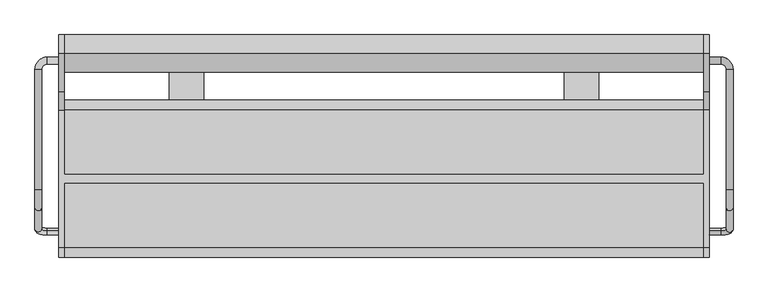
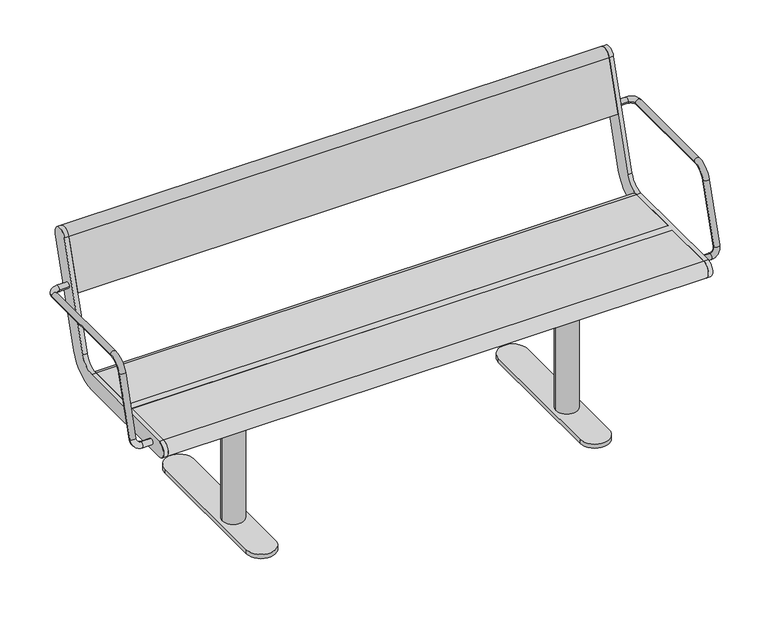
"""IFC4 building model written with IfcOpenShell, lengths in millimetres: furniture geometry."""

from ifc_helpers import new_model, si_unit, point, frame, frame_2d, origin, origin_with_axes, place, context, project, spatial, polyline, circle_curve, ellipse_curve, trimmed, segment, composite_curve, outline, extrude, source, transform, mapped, element, save
from ifc_brep_helpers import plane_surface, cylinder_surface, revolved_surface, advanced_brep


def furniture_57f3649a(model_context):
    return source(origin(), model_context, "Body", "SolidModel", [
        extrude(outline(composite_curve([segment(trimmed(circle_curve(frame_2d((460.0, 257.0)), 17.0), [point((477.0, 257.0))], [point((443.0, 257.0))], False, "CARTESIAN"), True, "CONTINUOUS"), segment(trimmed(circle_curve(frame_2d((460.0, 257.0)), 17.0), [point((443.0, 257.0))], [point((477.0, 257.0))], False, "CARTESIAN"), True, "CONTINUOUS")], self_intersect=False)), origin_with_axes(), (0.0, 0.0, 1.0), 15.0),
        extrude(outline(composite_curve([segment(trimmed(circle_curve(frame_2d((460.0, -133.0)), 17.0), [point((477.0, -133.0))], [point((443.0, -133.0))], False, "CARTESIAN"), True, "CONTINUOUS"), segment(trimmed(circle_curve(frame_2d((460.0, -133.0)), 17.0), [point((443.0, -133.0))], [point((477.0, -133.0))], False, "CARTESIAN"), True, "CONTINUOUS")], self_intersect=False)), origin_with_axes(), (0.0, 0.0, 1.0), 15.0),
        extrude(outline(composite_curve([segment(trimmed(circle_curve(frame_2d((460.0, 0.0)), 30.0), [point((490.0, 0.0))], [point((430.0, 0.0))], False, "CARTESIAN"), True, "CONTINUOUS"), segment(trimmed(circle_curve(frame_2d((460.0, 0.0)), 30.0), [point((430.0, 0.0))], [point((490.0, 0.0))], False, "CARTESIAN"), True, "CONTINUOUS")], self_intersect=False)), frame((0.0, 0.0, 27.0), z_axis=(0.0, 0.0, 1.0), x_axis=(1.0, 0.0, 0.0)), (0.0, 0.0, 1.0), 362.0),
        extrude(outline(polyline([(535.0, -125.0), (385.0, -125.0), (385.0, 125.0), (535.0, 125.0), (535.0, -125.0)])), frame((0.0, 0.0, 389.0), z_axis=(0.0, 0.0, 1.0), x_axis=(1.0, 0.0, 0.0)), (0.0, 0.0, 1.0), 16.0),
        extrude(outline(composite_curve([segment(trimmed(circle_curve(frame_2d((460.0, -133.0)), 40.0), [point((500.0, -133.0))], [point((420.0, -133.0))], False, "CARTESIAN"), True, "CONTINUOUS"), segment(polyline([(420.0, -133.0), (420.0, 257.0)]), True, "CONTINUOUS"), segment(trimmed(circle_curve(frame_2d((460.0, 257.0)), 40.0), [point((420.0, 257.0))], [point((500.0, 257.0))], False, "CARTESIAN"), True, "CONTINUOUS"), segment(polyline([(500.0, 257.0), (500.0, -133.0)]), True, "CONTINUOUS")], self_intersect=False)), frame((0.0, 0.0, 15.0), z_axis=(0.0, 0.0, 1.0), x_axis=(1.0, 0.0, 0.0)), (0.0, 0.0, 1.0), 12.0),
        extrude(outline(composite_curve([segment(trimmed(circle_curve(frame_2d((-460.0, 257.0)), 17.0), [point((-477.0, 257.0))], [point((-443.0, 257.0))], False, "CARTESIAN"), True, "CONTINUOUS"), segment(trimmed(circle_curve(frame_2d((-460.0, 257.0)), 17.0), [point((-443.0, 257.0))], [point((-477.0, 257.0))], False, "CARTESIAN"), True, "CONTINUOUS")], self_intersect=False)), origin_with_axes(), (0.0, 0.0, 1.0), 15.0),
        extrude(outline(composite_curve([segment(trimmed(circle_curve(frame_2d((-460.0, -133.0)), 17.0), [point((-477.0, -133.0))], [point((-443.0, -133.0))], False, "CARTESIAN"), True, "CONTINUOUS"), segment(trimmed(circle_curve(frame_2d((-460.0, -133.0)), 17.0), [point((-443.0, -133.0))], [point((-477.0, -133.0))], False, "CARTESIAN"), True, "CONTINUOUS")], self_intersect=False)), origin_with_axes(), (0.0, 0.0, 1.0), 15.0),
        extrude(outline(composite_curve([segment(trimmed(circle_curve(frame_2d((-460.0, 0.0)), 30.0), [point((-490.0, 0.0))], [point((-430.0, 0.0))], False, "CARTESIAN"), True, "CONTINUOUS"), segment(trimmed(circle_curve(frame_2d((-460.0, 0.0)), 30.0), [point((-430.0, 0.0))], [point((-490.0, 0.0))], False, "CARTESIAN"), True, "CONTINUOUS")], self_intersect=False)), frame((0.0, 0.0, 27.0), z_axis=(0.0, 0.0, 1.0), x_axis=(1.0, 0.0, 0.0)), (0.0, 0.0, 1.0), 362.0),
        extrude(outline(polyline([(-535.0, -125.0), (-535.0, 125.0), (-385.0, 125.0), (-385.0, -125.0), (-535.0, -125.0)])), frame((0.0, 0.0, 389.0), z_axis=(0.0, 0.0, 1.0), x_axis=(1.0, 0.0, 0.0)), (0.0, 0.0, 1.0), 16.0),
        extrude(outline(composite_curve([segment(polyline([(-500.0, -133.0), (-500.0, 257.0)]), True, "CONTINUOUS"), segment(trimmed(circle_curve(frame_2d((-460.0, 257.0)), 40.0), [point((-500.0, 257.0))], [point((-420.0, 257.0))], False, "CARTESIAN"), True, "CONTINUOUS"), segment(polyline([(-420.0, 257.0), (-420.0, -133.0)]), True, "CONTINUOUS"), segment(trimmed(circle_curve(frame_2d((-460.0, -133.0)), 40.0), [point((-420.0, -133.0))], [point((-500.0, -133.0))], False, "CARTESIAN"), True, "CONTINUOUS")], self_intersect=False)), frame((0.0, 0.0, 15.0), z_axis=(0.0, 0.0, 1.0), x_axis=(1.0, 0.0, 0.0)), (0.0, 0.0, 1.0), 12.0),
        advanced_brep(
        [(-757.0, -121.1610264, 435.150438), (-757.0, -125.8389736, 419.849562), (-784.0, -125.8389736, 419.849562), (-784.0, -121.1610264, 435.150438), (-813.0, -117.3601942, 447.5823999), (-797.0, -117.3601942, 447.5823999), (-813.0, 254.5, 641.5), (-813.0, -24.7753858, 641.5), (-797.0, -24.7753858, 641.5), (-797.0, 254.5, 641.5), (-797.0, -67.8090998, 609.6567267), (-813.0, -67.8090998, 609.6567267), (-757.0, 267.5, 641.5), (-757.0, 283.5, 641.5), (-784.0, 283.5, 641.5), (-784.0, 267.5, 641.5)],
        [
            (0, 1, circle_curve(frame((-757.0, -123.5, 427.5), z_axis=(1.0, 0.0, 0.0), x_axis=(0.0, -0.2923717047227402, -0.9563047559630344)), 8.0)),
            (1, 0, circle_curve(frame((-757.0, -123.5, 427.5), z_axis=(1.0, 0.0, 0.0), x_axis=(0.0, -0.2923717047227402, -0.9563047559630344)), 8.0)),
            (1, 2),
            (2, 3, circle_curve(frame((-784.0, -123.5, 427.5), z_axis=(1.0, 0.0, 0.0), x_axis=(0.0, -0.2923717047227402, -0.9563047559630344)), 8.0)),
            (3, 0),
            (3, 2, circle_curve(frame((-784.0, -123.5, 427.5), z_axis=(1.0, 0.0, 0.0), x_axis=(0.0, -0.2923717047227402, -0.9563047559630344)), 8.0)),
            (2, 4, circle_curve(frame((-784.0, -117.3601942, 447.5823999), z_axis=(0.0, 0.9563047559630344, -0.29237170472274027), x_axis=(0.0, -0.29237170472274027, -0.9563047559630344)), 29.0)),
            (4, 5, circle_curve(frame((-805.0, -117.3601942, 447.5823999), z_axis=(0.0, -0.29237170472274027, -0.9563047559630344), x_axis=(-1.0, 0.0, 0.0)), 8.0)),
            (5, 3, circle_curve(frame((-784.0, -117.3601942, 447.5823999), z_axis=(0.0, -0.9563047559630344, 0.29237170472274027), x_axis=(0.0, -0.29237170472274027, -0.9563047559630344)), 13.0)),
            (5, 4, circle_curve(frame((-805.0, -117.3601942, 447.5823999), z_axis=(0.0, -0.29237170472274027, -0.9563047559630344), x_axis=(-1.0, 0.0, 0.0)), 8.0)),
            (6, 7),
            (7, 8, circle_curve(frame((-805.0, -24.7753858, 641.5), z_axis=(0.0, 1.0, 0.0), x_axis=(-1.0, 0.0, 0.0)), 8.0)),
            (8, 9),
            (9, 6, circle_curve(frame((-805.0, 254.5, 641.5), z_axis=(0.0, -1.0, 0.0), x_axis=(-1.0, 0.0, 0.0)), 8.0)),
            (6, 9, circle_curve(frame((-805.0, 254.5, 641.5), z_axis=(0.0, -1.0, 0.0), x_axis=(-1.0, 0.0, 0.0)), 8.0)),
            (8, 7, circle_curve(frame((-805.0, -24.7753858, 641.5), z_axis=(0.0, 1.0, 0.0), x_axis=(-1.0, 0.0, 0.0)), 8.0)),
            (10, 11, circle_curve(frame((-805.0, -67.8090998, 609.6567267), z_axis=(0.0, -0.2923717047227378, -0.9563047559630351), x_axis=(-1.0, 0.0, 0.0)), 8.0)),
            (11, 4),
            (5, 10),
            (11, 10, circle_curve(frame((-805.0, -67.8090998, 609.6567267), z_axis=(0.0, -0.2923717047227378, -0.9563047559630351), x_axis=(-1.0, 0.0, 0.0)), 8.0)),
            (7, 11, circle_curve(frame((-813.0, -24.7753858, 596.5), z_axis=(1.0, 0.0, 0.0), x_axis=(0.0, 0.0, 1.0)), 45.0)),
            (10, 8, circle_curve(frame((-797.0, -24.7753858, 596.5), z_axis=(-1.0, 0.0, 0.0), x_axis=(0.0, 0.0, 1.0)), 45.0)),
            (12, 13, circle_curve(frame((-757.0, 275.5, 641.5), z_axis=(1.0, 0.0, 0.0), x_axis=(0.0, 1.0, 0.0)), 8.0)),
            (13, 12, circle_curve(frame((-757.0, 275.5, 641.5), z_axis=(1.0, 0.0, 0.0), x_axis=(0.0, 1.0, 0.0)), 8.0)),
            (13, 14),
            (14, 15, circle_curve(frame((-784.0, 275.5, 641.5), z_axis=(1.0, 0.0, 0.0), x_axis=(0.0, 1.0, 0.0)), 8.0)),
            (15, 12),
            (15, 14, circle_curve(frame((-784.0, 275.5, 641.5), z_axis=(1.0, 0.0, 0.0), x_axis=(0.0, 1.0, 0.0)), 8.0)),
            (14, 6, circle_curve(frame((-784.0, 254.5, 641.5), z_axis=(0.0, 0.0, 1.0), x_axis=(0.0, 1.0, 0.0)), 29.0)),
            (9, 15, circle_curve(frame((-784.0, 254.5, 641.5), z_axis=(0.0, 0.0, -1.0), x_axis=(0.0, 1.0, 0.0)), 13.0)),
        ],
        [
            plane_surface(frame((-757.0, -736.969501, 615.0564486), z_axis=(1.0, 0.0, 0.0), x_axis=(0.0, 0.9563047559630344, -0.29237170472274027))),
            cylinder_surface(frame((-757.0, -123.5, 427.5), z_axis=(1.0, 0.0, 0.0), x_axis=(0.0, -0.2923717047227402, -0.9563047559630344)), 8.0),
            revolved_surface(trimmed(ellipse_curve(frame((-784.0, -123.5, 427.5), z_axis=(1.0, 0.0, 0.0), x_axis=(0.0, -0.2923717047227402, -0.9563047559630344)), 8.0, 8.0), [point((-784.0, -125.8389736, 419.849562))], [point((-784.0, -121.1610264, 435.150438))], True, "CARTESIAN"), (-784.0, -730.8296952, 635.1388485), (0.0, 0.9563047559630344, -0.29237170472274027)),
            revolved_surface(trimmed(ellipse_curve(frame((-784.0, -123.5, 427.5), z_axis=(1.0, 0.0, 0.0), x_axis=(0.0, -0.2923717047227402, -0.9563047559630344)), 8.0, 8.0), [point((-784.0, -121.1610264, 435.150438))], [point((-784.0, -125.8389736, 419.849562))], True, "CARTESIAN"), (-784.0, -730.8296952, 635.1388485), (0.0, 0.9563047559630344, -0.29237170472274027)),
            cylinder_surface(frame((-805.0, 254.5, 641.5), z_axis=(0.0, 1.0, 0.0), x_axis=(-1.0, 0.0, 0.0)), 8.0),
            cylinder_surface(frame((-805.0, -67.8090998, 609.6567267), z_axis=(0.0, 0.2923717047227378, 0.9563047559630351), x_axis=(-1.0, 0.0, 0.0)), 8.0),
            revolved_surface(trimmed(ellipse_curve(frame((-805.0, -24.7753858, 641.5), z_axis=(0.0, 1.0, 0.0), x_axis=(-1.0, 0.0, 0.0)), 8.0, 8.0), [point((-813.0, -24.7753858, 641.5))], [point((-797.0, -24.7753858, 641.5))], True, "CARTESIAN"), (-500.0, -24.7753858, 596.5), (1.0, 0.0, 0.0)),
            revolved_surface(trimmed(ellipse_curve(frame((-805.0, -24.7753858, 641.5), z_axis=(0.0, 1.0, 0.0), x_axis=(-1.0, 0.0, 0.0)), 8.0, 8.0), [point((-797.0, -24.7753858, 641.5))], [point((-813.0, -24.7753858, 641.5))], True, "CARTESIAN"), (-500.0, -24.7753858, 596.5), (1.0, 0.0, 0.0)),
            plane_surface(frame((-757.0, 275.5, 0.0), z_axis=(1.0, 0.0, 0.0), x_axis=(0.0, 0.0, 1.0))),
            cylinder_surface(frame((-757.0, 275.5, 641.5), z_axis=(1.0, 0.0, 0.0), x_axis=(0.0, 1.0, 0.0)), 8.0),
            revolved_surface(trimmed(ellipse_curve(frame((-784.0, 275.5, 641.5), z_axis=(1.0, 0.0, 0.0), x_axis=(0.0, 1.0, 0.0)), 8.0, 8.0), [point((-784.0, 283.5, 641.5))], [point((-784.0, 267.5, 641.5))], True, "CARTESIAN"), (-784.0, 254.5, 0.0), (0.0, 0.0, 1.0)),
            revolved_surface(trimmed(ellipse_curve(frame((-784.0, 275.5, 641.5), z_axis=(1.0, 0.0, 0.0), x_axis=(0.0, 1.0, 0.0)), 8.0, 8.0), [point((-784.0, 267.5, 641.5))], [point((-784.0, 283.5, 641.5))], True, "CARTESIAN"), (-784.0, 254.5, 0.0), (0.0, 0.0, 1.0)),
        ],
        [
            (0, [[1, 2]]),
            (1, [[-2, 3, 4, 5]]),
            (1, [[-1, -5, 6, -3]]),
            (2, [[-4, 7, 8, 9]]),
            (3, [[-6, -9, 10, -7]]),
            (4, [[11, 12, 13, 14]]),
            (4, [[-11, 15, -13, 16]]),
            (5, [[17, 18, -10, 19]]),
            (5, [[-18, 20, -19, -8]]),
            (6, [[-12, 21, -17, 22]]),
            (7, [[-16, -22, -20, -21]]),
            (8, [[23, 24]]),
            (9, [[-24, 25, 26, 27]]),
            (9, [[-23, -27, 28, -25]]),
            (10, [[-26, 29, -14, 30]]),
            (11, [[-28, -30, -15, -29]]),
        ],
    ),
        advanced_brep(
        [(797.0, 254.5, 641.5), (797.0, -24.7753858, 641.5), (813.0, -24.7753858, 641.5), (813.0, 254.5, 641.5), (813.0, -67.8090998, 609.6567267), (797.0, -67.8090998, 609.6567267), (797.0, -117.3601942, 447.5823999), (813.0, -117.3601942, 447.5823999), (757.0, 267.5, 641.5), (757.0, 283.5, 641.5), (784.0, 267.5, 641.5), (784.0, 283.5, 641.5), (757.0, -121.1610264, 435.150438), (757.0, -125.8389736, 419.849562), (784.0, -121.1610264, 435.150438), (784.0, -125.8389736, 419.849562)],
        [
            (0, 1),
            (1, 2, circle_curve(frame((805.0, -24.7753858, 641.5), z_axis=(0.0, 1.0, 0.0), x_axis=(1.0, 0.0, 0.0)), 8.0)),
            (2, 3),
            (3, 0, circle_curve(frame((805.0, 254.5, 641.5), z_axis=(0.0, -1.0, 0.0), x_axis=(1.0, 0.0, 0.0)), 8.0)),
            (0, 3, circle_curve(frame((805.0, 254.5, 641.5), z_axis=(0.0, -1.0, 0.0), x_axis=(1.0, 0.0, 0.0)), 8.0)),
            (2, 1, circle_curve(frame((805.0, -24.7753858, 641.5), z_axis=(0.0, 1.0, 0.0), x_axis=(1.0, 0.0, 0.0)), 8.0)),
            (4, 5, circle_curve(frame((805.0, -67.8090998, 609.6567267), z_axis=(0.0, -0.2923717047227378, -0.9563047559630351), x_axis=(1.0, 0.0, 0.0)), 8.0)),
            (5, 6),
            (6, 7, circle_curve(frame((805.0, -117.3601942, 447.5823999), z_axis=(0.0, 0.2923717047227378, 0.9563047559630351), x_axis=(1.0, 0.0, 0.0)), 8.0)),
            (7, 4),
            (5, 4, circle_curve(frame((805.0, -67.8090998, 609.6567267), z_axis=(0.0, -0.2923717047227378, -0.9563047559630351), x_axis=(1.0, 0.0, 0.0)), 8.0)),
            (7, 6, circle_curve(frame((805.0, -117.3601942, 447.5823999), z_axis=(0.0, 0.2923717047227378, 0.9563047559630351), x_axis=(1.0, 0.0, 0.0)), 8.0)),
            (1, 5, circle_curve(frame((797.0, -24.7753858, 596.5), z_axis=(1.0, 0.0, 0.0), x_axis=(0.0, 0.0, 1.0)), 45.0)),
            (4, 2, circle_curve(frame((813.0, -24.7753858, 596.5), z_axis=(-1.0, 0.0, 0.0), x_axis=(0.0, 0.0, 1.0)), 45.0)),
            (8, 9, circle_curve(frame((757.0, 275.5, 641.5), z_axis=(-1.0, 0.0, 0.0), x_axis=(0.0, 1.0, 0.0)), 8.0)),
            (9, 8, circle_curve(frame((757.0, 275.5, 641.5), z_axis=(-1.0, 0.0, 0.0), x_axis=(0.0, 1.0, 0.0)), 8.0)),
            (8, 10),
            (10, 11, circle_curve(frame((784.0, 275.5, 641.5), z_axis=(-1.0, 0.0, 0.0), x_axis=(0.0, 1.0, 0.0)), 8.0)),
            (11, 9),
            (11, 10, circle_curve(frame((784.0, 275.5, 641.5), z_axis=(-1.0, 0.0, 0.0), x_axis=(0.0, 1.0, 0.0)), 8.0)),
            (10, 0, circle_curve(frame((784.0, 254.5, 641.5), z_axis=(0.0, 0.0, -1.0), x_axis=(0.0, 1.0, 0.0)), 13.0)),
            (3, 11, circle_curve(frame((784.0, 254.5, 641.5), z_axis=(0.0, 0.0, 1.0), x_axis=(0.0, 1.0, 0.0)), 29.0)),
            (12, 13, circle_curve(frame((757.0, -123.5, 427.5), z_axis=(-1.0, 0.0, 0.0), x_axis=(0.0, -0.2923717047227402, -0.9563047559630344)), 8.0)),
            (13, 12, circle_curve(frame((757.0, -123.5, 427.5), z_axis=(-1.0, 0.0, 0.0), x_axis=(0.0, -0.2923717047227402, -0.9563047559630344)), 8.0)),
            (12, 14),
            (14, 15, circle_curve(frame((784.0, -123.5, 427.5), z_axis=(-1.0, 0.0, 0.0), x_axis=(0.0, -0.2923717047227402, -0.9563047559630344)), 8.0)),
            (15, 13),
            (15, 14, circle_curve(frame((784.0, -123.5, 427.5), z_axis=(-1.0, 0.0, 0.0), x_axis=(0.0, -0.2923717047227402, -0.9563047559630344)), 8.0)),
            (14, 6, circle_curve(frame((784.0, -117.3601942, 447.5823999), z_axis=(0.0, -0.9563047559630344, 0.2923717047227402), x_axis=(0.0, -0.2923717047227402, -0.9563047559630344)), 13.0)),
            (7, 15, circle_curve(frame((784.0, -117.3601942, 447.5823999), z_axis=(0.0, 0.9563047559630344, -0.2923717047227402), x_axis=(0.0, -0.2923717047227402, -0.9563047559630344)), 29.0)),
        ],
        [
            cylinder_surface(frame((805.0, 254.5, 641.5), z_axis=(0.0, 1.0, 0.0), x_axis=(1.0, 0.0, 0.0)), 8.0),
            cylinder_surface(frame((805.0, -67.8090998, 609.6567267), z_axis=(0.0, 0.2923717047227378, 0.9563047559630351), x_axis=(1.0, 0.0, 0.0)), 8.0),
            revolved_surface(trimmed(ellipse_curve(frame((805.0, -24.7753858, 641.5), z_axis=(0.0, 1.0, 0.0), x_axis=(1.0, 0.0, 0.0)), 8.0, 8.0), [point((797.0, -24.7753858, 641.5))], [point((813.0, -24.7753858, 641.5))], True, "CARTESIAN"), (0.0, -24.7753858, 596.5), (1.0, 0.0, 0.0)),
            revolved_surface(trimmed(ellipse_curve(frame((805.0, -24.7753858, 641.5), z_axis=(0.0, 1.0, 0.0), x_axis=(1.0, 0.0, 0.0)), 8.0, 8.0), [point((813.0, -24.7753858, 641.5))], [point((797.0, -24.7753858, 641.5))], True, "CARTESIAN"), (0.0, -24.7753858, 596.5), (1.0, 0.0, 0.0)),
            plane_surface(frame((757.0, 275.5, 0.0), z_axis=(-1.0, 0.0, 0.0), x_axis=(0.0, 0.0, 1.0))),
            cylinder_surface(frame((757.0, 275.5, 641.5), z_axis=(-1.0, 0.0, 0.0), x_axis=(0.0, 1.0, 0.0)), 8.0),
            revolved_surface(trimmed(ellipse_curve(frame((784.0, 275.5, 641.5), z_axis=(-1.0, 0.0, 0.0), x_axis=(0.0, 1.0, 0.0)), 8.0, 8.0), [point((784.0, 267.5, 641.5))], [point((784.0, 283.5, 641.5))], True, "CARTESIAN"), (784.0, 254.5, 0.0), (0.0, 0.0, -1.0)),
            revolved_surface(trimmed(ellipse_curve(frame((784.0, 275.5, 641.5), z_axis=(-1.0, 0.0, 0.0), x_axis=(0.0, 1.0, 0.0)), 8.0, 8.0), [point((784.0, 283.5, 641.5))], [point((784.0, 267.5, 641.5))], True, "CARTESIAN"), (784.0, 254.5, 0.0), (0.0, 0.0, -1.0)),
            plane_surface(frame((757.0, -736.969501, 615.0564486), z_axis=(-1.0, 0.0, 0.0), x_axis=(0.0, 0.9563047559630344, -0.2923717047227402))),
            cylinder_surface(frame((757.0, -123.5, 427.5), z_axis=(-1.0, 0.0, 0.0), x_axis=(0.0, -0.2923717047227402, -0.9563047559630344)), 8.0),
            revolved_surface(trimmed(ellipse_curve(frame((784.0, -123.5, 427.5), z_axis=(-1.0, 0.0, 0.0), x_axis=(0.0, -0.2923717047227402, -0.9563047559630344)), 8.0, 8.0), [point((784.0, -121.1610264, 435.150438))], [point((784.0, -125.8389736, 419.849562))], True, "CARTESIAN"), (784.0, -730.8296952, 635.1388485), (0.0, -0.9563047559630344, 0.2923717047227402)),
            revolved_surface(trimmed(ellipse_curve(frame((784.0, -123.5, 427.5), z_axis=(-1.0, 0.0, 0.0), x_axis=(0.0, -0.2923717047227402, -0.9563047559630344)), 8.0, 8.0), [point((784.0, -125.8389736, 419.849562))], [point((784.0, -121.1610264, 435.150438))], True, "CARTESIAN"), (784.0, -730.8296952, 635.1388485), (0.0, -0.9563047559630344, 0.2923717047227402)),
        ],
        [
            (0, [[1, 2, 3, 4]]),
            (0, [[-1, 5, -3, 6]]),
            (1, [[7, 8, 9, 10]]),
            (1, [[-8, 11, -10, 12]]),
            (2, [[-2, 13, -7, 14]]),
            (3, [[-6, -14, -11, -13]]),
            (4, [[15, 16]]),
            (5, [[-15, 17, 18, 19]]),
            (5, [[-16, -19, 20, -17]]),
            (6, [[-18, 21, -4, 22]]),
            (7, [[-20, -22, -5, -21]]),
            (8, [[23, 24]]),
            (9, [[-23, 25, 26, 27]]),
            (9, [[-24, -27, 28, -25]]),
            (10, [[-26, 29, -12, 30]]),
            (11, [[-28, -30, -9, -29]]),
        ],
    ),
        advanced_brep(
        [(-745.0, 291.5375971, 769.6910048), (-745.0, 203.533714, 481.8432733), (-745.0, 160.5, 450.0), (-745.0, 10.0, 450.0), (-745.0, 10.0, 405.0), (-745.0, 160.5, 405.0), (-745.0, 246.567428, 468.6865466), (-745.0, 334.5713112, 756.5342781), (-745.0, -160.5, 450.0), (-745.0, -160.5, 405.0), (-745.0, -10.0, 405.0), (-745.0, -10.0, 450.0), (-757.0, 291.5375971, 769.6910048), (-757.0, 334.5713112, 756.5342781), (-757.0, 246.567428, 468.6865466), (-757.0, 160.5, 405.0), (-757.0, -160.5, 405.0), (-757.0, -160.5, 450.0), (-757.0, 160.5, 450.0), (-757.0, 203.533714, 481.8432733), (745.0, -10.0, 450.0), (745.0, -160.5, 450.0), (757.0, -160.5, 450.0), (757.0, 160.5, 450.0), (745.0, 160.5, 450.0), (745.0, 10.0, 450.0), (745.0, 10.0, 405.0), (745.0, 160.5, 405.0), (757.0, 160.5, 405.0), (757.0, -160.5, 405.0), (745.0, -160.5, 405.0), (745.0, -10.0, 405.0), (757.0, 291.5375971, 769.6910048), (757.0, 203.533714, 481.8432733), (757.0, 246.567428, 468.6865466), (757.0, 334.5713112, 756.5342781), (745.0, 291.5375971, 769.6910048), (745.0, 334.5713112, 756.5342781), (745.0, 246.567428, 468.6865466), (745.0, 203.533714, 481.8432733)],
        [
            (0, 1),
            (1, 2, circle_curve(frame((-745.0, 160.5, 495.0), z_axis=(-1.0, 0.0, 0.0), x_axis=(0.0, -1.0, 0.0)), 45.0)),
            (2, 3),
            (3, 4),
            (4, 5),
            (5, 6, circle_curve(frame((-745.0, 160.5, 495.0), z_axis=(1.0, 0.0, 0.0), x_axis=(0.0, -1.0, 0.0)), 90.0)),
            (6, 7),
            (7, 0, circle_curve(frame((-745.0, 313.0544541, 763.1126415), z_axis=(1.0, 0.0, 0.0), x_axis=(0.0, -1.0, 0.0)), 22.5)),
            (8, 9, circle_curve(frame((-745.0, -160.5, 427.5), z_axis=(1.0, 0.0, 0.0), x_axis=(0.0, -1.0, 0.0)), 22.5)),
            (9, 10),
            (10, 11),
            (11, 8),
            (12, 13, circle_curve(frame((-757.0, 313.0544541, 763.1126415), z_axis=(-1.0, 0.0, 0.0), x_axis=(0.0, -1.0, 0.0)), 22.5)),
            (13, 14),
            (14, 15, circle_curve(frame((-757.0, 160.5, 495.0), z_axis=(-1.0, 0.0, 0.0), x_axis=(0.0, -1.0, 0.0)), 90.0)),
            (15, 16),
            (16, 17, circle_curve(frame((-757.0, -160.5, 427.5), z_axis=(-1.0, 0.0, 0.0), x_axis=(0.0, -1.0, 0.0)), 22.5)),
            (17, 18),
            (18, 19, circle_curve(frame((-757.0, 160.5, 495.0), z_axis=(1.0, 0.0, 0.0), x_axis=(0.0, -1.0, 0.0)), 45.0)),
            (19, 12),
            (0, 12),
            (19, 1),
            (18, 2),
            (17, 8),
            (11, 20),
            (20, 21),
            (21, 22),
            (22, 23),
            (23, 24),
            (24, 25),
            (25, 3),
            (15, 5),
            (4, 26),
            (26, 27),
            (27, 28),
            (28, 29),
            (29, 30),
            (30, 31),
            (31, 10),
            (9, 16),
            (14, 6),
            (13, 7),
            (31, 20),
            (25, 26),
            (32, 33),
            (33, 23, circle_curve(frame((757.0, 160.5, 495.0), z_axis=(-1.0, 0.0, 0.0), x_axis=(0.0, -1.0, 0.0)), 45.0)),
            (22, 29, circle_curve(frame((757.0, -160.5, 427.5), z_axis=(1.0, 0.0, 0.0), x_axis=(0.0, -1.0, 0.0)), 22.5)),
            (28, 34, circle_curve(frame((757.0, 160.5, 495.0), z_axis=(1.0, 0.0, 0.0), x_axis=(0.0, -1.0, 0.0)), 90.0)),
            (34, 35),
            (35, 32, circle_curve(frame((757.0, 313.0544541, 763.1126415), z_axis=(1.0, 0.0, 0.0), x_axis=(0.0, -1.0, 0.0)), 22.5)),
            (36, 37, circle_curve(frame((745.0, 313.0544541, 763.1126415), z_axis=(-1.0, 0.0, 0.0), x_axis=(0.0, -1.0, 0.0)), 22.5)),
            (37, 38),
            (38, 27, circle_curve(frame((745.0, 160.5, 495.0), z_axis=(-1.0, 0.0, 0.0), x_axis=(0.0, -1.0, 0.0)), 90.0)),
            (24, 39, circle_curve(frame((745.0, 160.5, 495.0), z_axis=(1.0, 0.0, 0.0), x_axis=(0.0, -1.0, 0.0)), 45.0)),
            (39, 36),
            (30, 21, circle_curve(frame((745.0, -160.5, 427.5), z_axis=(-1.0, 0.0, 0.0), x_axis=(0.0, -1.0, 0.0)), 22.5)),
            (32, 36),
            (39, 33),
            (38, 34),
            (37, 35),
        ],
        [
            plane_surface(frame((-745.0, 203.533714, 481.8432733), z_axis=(1.0000000000000002, 0.0, 0.0), x_axis=(0.0, -0.29237170472273394, -0.9563047559630364))),
            plane_surface(frame((-757.0, 203.533714, 481.8432733), z_axis=(-1.0000000000000002, 0.0, 0.0), x_axis=(0.0, 0.29237170472273394, 0.9563047559630364))),
            plane_surface(frame((-745.0, 291.5375971, 769.6910048), z_axis=(0.0, -0.9563047559630364, 0.29237170472273394), x_axis=(-1.0, 0.0, 0.0))),
            revolved_surface(polyline([(-757.0, 115.5, 495.0), (-745.0, 115.5, 495.0)]), (-757.0, 160.5, 495.0), (-1.0, 0.0, 0.0)),
            plane_surface(frame((-745.0, 160.5, 450.0), z_axis=(0.0, 0.0, 1.0), x_axis=(-1.0, 0.0, 0.0))),
            plane_surface(frame((-745.0, -160.5, 405.0), z_axis=(0.0, 0.0, -1.0), x_axis=(-1.0, 0.0, 0.0))),
            cylinder_surface(frame((-757.0, 160.5, 495.0), z_axis=(1.0, 0.0, 0.0), x_axis=(0.0, -1.0, 0.0)), 90.0),
            plane_surface(frame((-745.0, 246.567428, 468.6865466), z_axis=(0.0, 0.9563047559630364, -0.29237170472273366), x_axis=(-1.0, 0.0, 0.0))),
            cylinder_surface(frame((-757.0, 313.0544541, 763.1126415), z_axis=(1.0, 0.0, 0.0), x_axis=(0.0, -1.0, 0.0)), 22.5),
            cylinder_surface(frame((-757.0, -160.5, 427.5), z_axis=(1.0, 0.0, 0.0), x_axis=(0.0, -1.0, 0.0)), 22.5),
            plane_surface(frame((745.0, -10.0, 450.0), z_axis=(0.0, -1.0, 0.0), x_axis=(-1.0, 0.0, 0.0))),
            plane_surface(frame((745.0, 10.0, 405.0), z_axis=(0.0, 1.0, 0.0), x_axis=(-1.0, 0.0, 0.0))),
            plane_surface(frame((757.0, 203.533714, 481.8432733), z_axis=(1.0000000000000002, 0.0, 0.0), x_axis=(0.0, -0.29237170472273394, -0.9563047559630364))),
            plane_surface(frame((745.0, 203.533714, 481.8432733), z_axis=(-1.0000000000000002, 0.0, 0.0), x_axis=(0.0, 0.29237170472273394, 0.9563047559630364))),
            plane_surface(frame((757.0, 291.5375971, 769.6910048), z_axis=(0.0, -0.9563047559630364, 0.29237170472273394), x_axis=(-1.0, 0.0, 0.0))),
            revolved_surface(polyline([(745.0, 115.5, 495.0), (757.0, 115.5, 495.0)]), (745.0, 160.5, 495.0), (-1.0, 0.0, 0.0)),
            cylinder_surface(frame((745.0, 160.5, 495.0), z_axis=(1.0, 0.0, 0.0), x_axis=(0.0, -1.0, 0.0)), 90.0),
            plane_surface(frame((757.0, 246.567428, 468.6865466), z_axis=(0.0, 0.9563047559630364, -0.29237170472273366), x_axis=(-1.0, 0.0, 0.0))),
            cylinder_surface(frame((745.0, 313.0544541, 763.1126415), z_axis=(1.0, 0.0, 0.0), x_axis=(0.0, -1.0, 0.0)), 22.5),
            cylinder_surface(frame((745.0, -160.5, 427.5), z_axis=(1.0, 0.0, 0.0), x_axis=(0.0, -1.0, 0.0)), 22.5),
        ],
        [
            (0, [[1, 2, 3, 4, 5, 6, 7, 8]]),
            (0, [[9, 10, 11, 12]]),
            (1, [[13, 14, 15, 16, 17, 18, 19, 20]]),
            (2, [[-1, 21, -20, 22]]),
            (3, [[-2, -22, -19, 23]]),
            (4, [[-18, 24, -12, 25, 26, 27, 28, 29, 30, 31, -3, -23]]),
            (5, [[-16, 32, -5, 33, 34, 35, 36, 37, 38, 39, -10, 40]]),
            (6, [[-6, -32, -15, 41]]),
            (7, [[-7, -41, -14, 42]]),
            (8, [[-8, -42, -13, -21]]),
            (9, [[-9, -24, -17, -40]]),
            (10, [[-25, -11, -39, 43]]),
            (11, [[-31, 44, -33, -4]]),
            (12, [[45, 46, -28, 47, -36, 48, 49, 50]]),
            (13, [[51, 52, 53, -34, -44, -30, 54, 55]]),
            (13, [[56, -26, -43, -38]]),
            (14, [[-45, 57, -55, 58]]),
            (15, [[-46, -58, -54, -29]]),
            (16, [[-48, -35, -53, 59]]),
            (17, [[-49, -59, -52, 60]]),
            (18, [[-50, -60, -51, -57]]),
            (19, [[-47, -27, -56, -37]]),
        ],
    ),
        extrude(outline(composite_curve([segment(trimmed(circle_curve(frame_2d((313.0544541, 763.1126415)), 22.5), [point((291.5375971, 769.6910048))], [point((334.5713112, 756.5342781))], False, "CARTESIAN"), True, "CONTINUOUS"), segment(polyline([(334.5713112, 756.5342781), (292.0312281, 617.3919361), (248.9975141, 630.5486628), (291.5375971, 769.6910048)]), True, "CONTINUOUS")], self_intersect=False)), frame((-745.0, 0.0, 0.0), z_axis=(1.0, 0.0, 0.0), x_axis=(0.0, 1.0, 0.0)), (0.0, 0.0, 1.0), 1490.0),
        extrude(outline(composite_curve([segment(polyline([(10.0, 405.0), (10.0, 450.0), (160.5, 450.0)]), True, "CONTINUOUS"), segment(trimmed(circle_curve(frame_2d((160.5, 427.5)), 22.5), [point((160.5, 450.0))], [point((160.5, 405.0))], False, "CARTESIAN"), True, "CONTINUOUS"), segment(polyline([(160.5, 405.0), (10.0, 405.0)]), True, "CONTINUOUS")], self_intersect=False)), frame((-745.0, 0.0, 0.0), z_axis=(1.0, 0.0, 0.0), x_axis=(0.0, 1.0, 0.0)), (0.0, 0.0, 1.0), 1490.0),
        extrude(outline(composite_curve([segment(polyline([(-10.0, 405.0), (-160.5, 405.0)]), True, "CONTINUOUS"), segment(trimmed(circle_curve(frame_2d((-160.5, 427.5)), 22.5), [point((-160.5, 405.0))], [point((-160.5, 450.0))], False, "CARTESIAN"), True, "CONTINUOUS"), segment(polyline([(-160.5, 450.0), (-10.0, 450.0), (-10.0, 405.0)]), True, "CONTINUOUS")], self_intersect=False)), frame((-745.0, 0.0, 0.0), z_axis=(1.0, 0.0, 0.0), x_axis=(0.0, 1.0, 0.0)), (0.0, 0.0, 1.0), 1490.0),
    ])


if __name__ == "__main__":
    model = new_model("IFC4")
    model_context = context("Model", 3, world=origin())
    ifc_project = project(units=[si_unit("LENGTHUNIT", "METRE", prefix="MILLI")], contexts=[model_context])
    site = spatial("IfcSite", under=ifc_project)
    building = spatial("IfcBuilding", under=site)
    placement = place(None, origin())
    furniture_shape = furniture_57f3649a(model_context)
    element("IfcFurniture", 1, at=placement, inside=building, context=model_context, shape_type="MappedRepresentation", body=[
        mapped(furniture_shape, transform((0.0, 0.0, 0.0), x_axis=(1.0, 0.0, 0.0), y_axis=(0.0, 1.0, 0.0), z_axis=(0.0, 0.0, 1.0))),
    ])
    save(model, "model.ifc")
